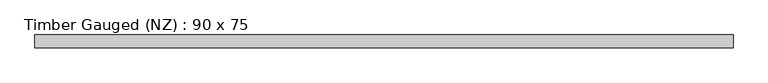
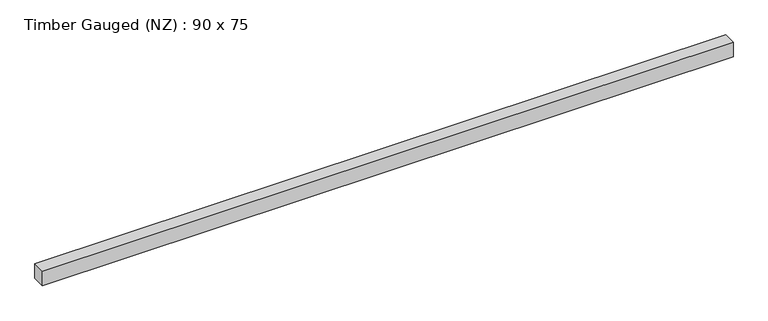
"""IFC4 building model written with IfcOpenShell, lengths in millimetres: beam geometry, Timber Gauged (NZ) : 90 x 75."""

from ifc_helpers import new_model, si_unit, frame, origin, place, context, project, spatial, polyline, outline, extrude, source, transform, mapped, element, save


def timber_gauged_nz_90_x_75_3944346f(model_context):
    return source(origin(), model_context, "Body", "SweptSolid", [
        extrude(outline(polyline([(2010.0, 37.5), (2010.0, -37.5), (-2010.0, -37.5), (-2010.0, 37.5), (2010.0, 37.5)])), frame((0.0, 0.0, -45.0), z_axis=(0.0, 0.0, 1.0), x_axis=(1.0, 0.0, 0.0)), (0.0, 0.0, 1.0), 90.0),
    ])


if __name__ == "__main__":
    model = new_model("IFC4")
    model_context = context("Model", 3, world=origin())
    ifc_project = project(units=[si_unit("LENGTHUNIT", "METRE", prefix="MILLI")], contexts=[model_context])
    site = spatial("IfcSite", under=ifc_project)
    building = spatial("IfcBuilding", under=site)
    placement = place(None, origin())
    timber_gauged_nz_90_x_75_shape = timber_gauged_nz_90_x_75_3944346f(model_context)
    element("IfcBeam", 1, ObjectType="Timber Gauged (NZ) : 90 x 75", at=placement, inside=building, context=model_context, shape_type="MappedRepresentation", body=[
        mapped(timber_gauged_nz_90_x_75_shape, transform((0.0, 0.0, 0.0), x_axis=(1.0, 0.0, 0.0), y_axis=(0.0, 1.0, 0.0), z_axis=(0.0, 0.0, 1.0))),
    ])
    save(model, "model.ifc")
